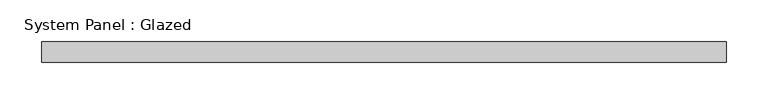
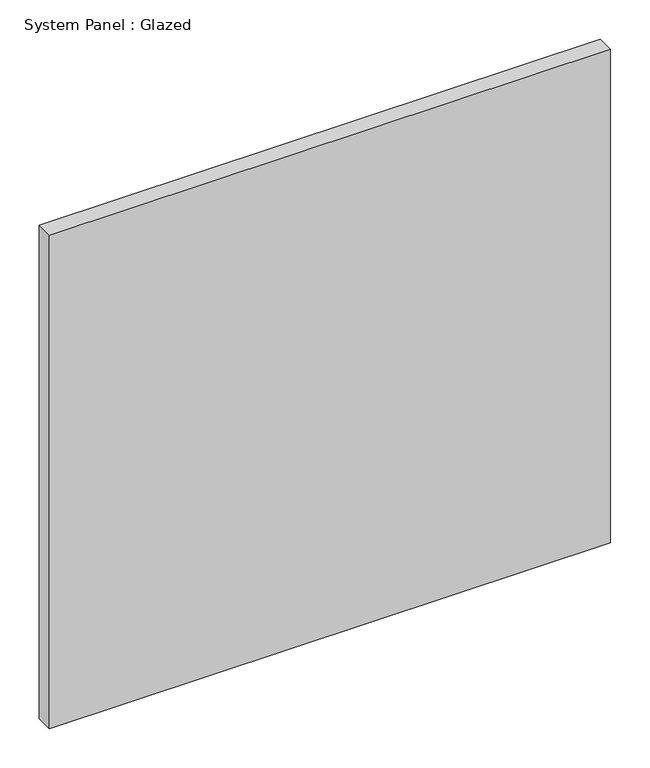
"""IFC4 building model written with IfcOpenShell, lengths in millimetres: plate geometry, System Panel : Glazed."""

import ifcopenshell
import ifcopenshell.guid

model = None  # the IFC model being written
_history = None  # IfcOwnerHistory: only IFC2X3 demands one
_inside = {}  # id of a spatial element -> (the spatial element, [elements in it])
_under = {}  # id of a project, library or spatial element -> (it, [spatial elements below it])
_declared = {}  # id of a project -> (the project, [libraries it declares])
_typed = {}  # id of a type object -> (the type object, [elements of that type])
_made_of = {}  # id of a material, layer set ... -> (it, [elements and type objects made of it])


def new_model(schema):
    """Start an empty IFC model of exactly this schema.

    Asked for "IFC4X3", IfcOpenShell would pick the latest addendum, in which some entities
    have other attributes; the version numbers below select the first issue.
    IFC2X3 requires an IfcOwnerHistory on every rooted entity: one is made here for all.
    """
    global model, _history
    if schema == "IFC4X3":
        model = ifcopenshell.file(schema_version=(4, 3, 0, 0))
    else:
        model = ifcopenshell.file(schema=schema)
    _inside.clear()
    _under.clear()
    _declared.clear()
    _typed.clear()
    _made_of.clear()
    _history = None
    if model.schema == "IFC2X3":
        org = make("IfcOrganization", Name="unknown")
        user = make(
            "IfcPersonAndOrganization",
            ThePerson=make("IfcPerson", FamilyName="unknown"),
            TheOrganization=org,
        )
        app = make(
            "IfcApplication",
            ApplicationDeveloper=org,
            Version="unknown",
            ApplicationFullName="unknown",
            ApplicationIdentifier="unknown",
        )
        _history = make(
            "IfcOwnerHistory",
            OwningUser=user,
            OwningApplication=app,
            ChangeAction="ADDED",
            CreationDate=0,
        )
    return model


def make(cls, **values):
    """One entity of the class cls with the attributes given. An attribute that is None is left unset."""
    return model.create_entity(
        cls, **{name: value for name, value in values.items() if value is not None}
    )


def rooted(cls, **values):
    """An entity with a GlobalId (a new one), such as an element, a storey or a relation."""
    return make(cls, GlobalId=ifcopenshell.guid.new(), OwnerHistory=_history, **values)


def si_unit(unit_type, name, prefix=None):
    """IfcSIUnit, for example si_unit("LENGTHUNIT", "METRE", prefix="MILLI")."""
    return make("IfcSIUnit", UnitType=unit_type, Prefix=prefix, Name=name)


def assignment(units):
    """IfcUnitAssignment: the units of a project."""
    return None if units is None else make("IfcUnitAssignment", Units=units)


def point(xyz):
    """IfcCartesianPoint."""
    return None if xyz is None else make("IfcCartesianPoint", Coordinates=xyz)


def direction(xyz):
    """IfcDirection."""
    return None if xyz is None else make("IfcDirection", DirectionRatios=xyz)


def frame(location, z_axis=None, x_axis=None):
    """IfcAxis2Placement3D, a coordinate frame: its origin and axes. An axis left out is left unset."""
    return make(
        "IfcAxis2Placement3D",
        Location=point(location),
        Axis=direction(z_axis),
        RefDirection=direction(x_axis),
    )


def origin():
    """The frame at (0, 0, 0) with its axes left unset."""
    return frame((0.0, 0.0, 0.0))


def origin_with_axes():
    """The frame at (0, 0, 0) with the z axis (0, 0, 1) and the x axis (1, 0, 0) written out."""
    return frame((0.0, 0.0, 0.0), z_axis=(0.0, 0.0, 1.0), x_axis=(1.0, 0.0, 0.0))


def place(relative_to, where):
    """IfcLocalPlacement: puts the frame where relative to a parent placement (None: the world)."""
    return make(
        "IfcLocalPlacement", PlacementRelTo=relative_to, RelativePlacement=where
    )


def context(
    kind, dimensions, precision=None, world=None, true_north=None, identifier=None
):
    """IfcGeometricRepresentationContext, for example the 3D "Model" context."""
    return make(
        "IfcGeometricRepresentationContext",
        ContextIdentifier=identifier,
        ContextType=kind,
        CoordinateSpaceDimension=dimensions,
        Precision=precision,
        WorldCoordinateSystem=world,
        TrueNorth=true_north,
    )


def project(units=None, contexts=None):
    """IfcProject with its units and contexts."""
    return rooted(
        "IfcProject",
        Name="project",
        RepresentationContexts=contexts,
        UnitsInContext=assignment(units),
    )


def spatial(cls, under=None, at=None, **own):
    """A site, building, storey or space (cls), placed at a placement, below another one or the project."""
    s = rooted(cls, ObjectPlacement=at, **own)
    if under is not None:
        _under.setdefault(under.id(), (under, []))[1].append(s)
    return s


def polyline(points):
    """IfcPolyline through the points."""
    return make("IfcPolyline", Points=[point(p) for p in points])


def outline(outer, holes=None, kind="AREA"):
    """IfcArbitraryClosedProfileDef: a profile drawn as a closed curve; with holes, ...WithVoids."""
    if holes is None:
        return make("IfcArbitraryClosedProfileDef", ProfileType=kind, OuterCurve=outer)
    return make(
        "IfcArbitraryProfileDefWithVoids",
        ProfileType=kind,
        OuterCurve=outer,
        InnerCurves=holes,
    )


def extrude(swept, where, along, depth):
    """IfcExtrudedAreaSolid: the profile swept, set in the frame where, extruded along a direction by depth."""
    return make(
        "IfcExtrudedAreaSolid",
        SweptArea=swept,
        Position=where,
        ExtrudedDirection=direction(along),
        Depth=depth,
    )


def shape(context_of_items, identifier, shape_type, items):
    """IfcShapeRepresentation: the items that make up one representation, for example the "Body"."""
    return make(
        "IfcShapeRepresentation",
        ContextOfItems=context_of_items,
        RepresentationIdentifier=identifier,
        RepresentationType=shape_type,
        Items=items,
    )


def source(mapping_origin, context_of_items, identifier, shape_type, items):
    """IfcRepresentationMap: a shape defined once, which mapped items show again and again."""
    return make(
        "IfcRepresentationMap",
        MappingOrigin=mapping_origin,
        MappedRepresentation=shape(context_of_items, identifier, shape_type, items),
    )


def transform(
    local_origin,
    x_axis=None,
    y_axis=None,
    z_axis=None,
    scale=None,
    scale2=None,
    scale3=None,
    uniform=True,
):
    """IfcCartesianTransformationOperator3D, or its non-uniform kind. x_axis, y_axis, z_axis: its Axis1, 2, 3."""
    if uniform:
        return make(
            "IfcCartesianTransformationOperator3D",
            Axis1=direction(x_axis),
            Axis2=direction(y_axis),
            LocalOrigin=point(local_origin),
            Scale=scale,
            Axis3=direction(z_axis),
        )
    return make(
        "IfcCartesianTransformationOperator3DnonUniform",
        Axis1=direction(x_axis),
        Axis2=direction(y_axis),
        LocalOrigin=point(local_origin),
        Scale=scale,
        Axis3=direction(z_axis),
        Scale2=scale2,
        Scale3=scale3,
    )


def mapped(mapping_source, mapping_target):
    """IfcMappedItem: shows the shape of a source again, moved by a transform."""
    return make(
        "IfcMappedItem", MappingSource=mapping_source, MappingTarget=mapping_target
    )


def made_of(thing, what):
    """Note that an element or type object is made of a material, layer set ...; save() writes the relation."""
    if what is not None:
        _made_of.setdefault(what.id(), (what, []))[1].append(thing)
    return thing


def element(
    cls,
    number,
    at=None,
    inside=None,
    cuts=None,
    type_object=None,
    material=None,
    context=None,
    identifier="Body",
    shape_type=None,
    held_by="IfcProductDefinitionShape",
    body=None,
    shapes=None,
    **own,
):
    """One element of the class cls, such as IfcWall. Its Tag is "e" and its number.

    at: its placement. inside: the storey or other place that contains it. cuts: it is an
    opening in that element (IfcRelVoidsElement). A single representation is given by context,
    identifier, shape_type and body (its items); several are given by shapes. held_by: the class
    of the entity that holds the representations. save() writes the other relations.
    """
    e = rooted(cls, Tag="e%d" % number, ObjectPlacement=at, **own)
    if body is not None:
        shapes = [shape(context, identifier, shape_type, body)]
    if shapes is not None:
        e.Representation = make(held_by, Representations=shapes)
    if inside is not None:
        _inside.setdefault(inside.id(), (inside, []))[1].append(e)
    if cuts is not None:
        rooted(
            "IfcRelVoidsElement", RelatingBuildingElement=cuts, RelatedOpeningElement=e
        )
    if type_object is not None:
        _typed.setdefault(type_object.id(), (type_object, []))[1].append(e)
    return made_of(e, material)


def aggregate(whole, parts):
    """IfcRelAggregates: a whole, such as a stair, and the parts it consists of."""
    return rooted("IfcRelAggregates", RelatingObject=whole, RelatedObjects=parts)


def save(model, path):
    """Write the relations noted so far, then the file.

    IfcRelAggregates (storeys below a building ...), IfcRelContainedInSpatialStructure (elements
    in a storey), IfcRelDefinesByType, IfcRelAssociatesMaterial and IfcRelDeclares: one each for
    every whole, place, type object, material and project.
    """
    for whole, parts in _under.values():
        aggregate(whole, parts)
    for where, things in _inside.values():
        rooted(
            "IfcRelContainedInSpatialStructure",
            RelatedElements=things,
            RelatingStructure=where,
        )
    for kind, things in _typed.values():
        rooted("IfcRelDefinesByType", RelatedObjects=things, RelatingType=kind)
    for what, things in _made_of.values():
        rooted("IfcRelAssociatesMaterial", RelatedObjects=things, RelatingMaterial=what)
    for by, libraries in _declared.values():
        rooted("IfcRelDeclares", RelatingContext=by, RelatedDefinitions=libraries)
    model.write(path)


def system_panel_glazed_f63b3cf3(model_context):
    return source(origin(), model_context, "Body", "SweptSolid", [
        extrude(outline(polyline([(412.5, 24.5), (-412.5, 24.5), (-412.5, 49.5), (412.5, 49.5), (412.5, 24.5)])), origin_with_axes(), (0.0, 0.0, 1.0), 766.6666667),
    ])


if __name__ == "__main__":
    model = new_model("IFC4")
    model_context = context("Model", 3, world=origin())
    ifc_project = project(units=[si_unit("LENGTHUNIT", "METRE", prefix="MILLI")], contexts=[model_context])
    site = spatial("IfcSite", under=ifc_project)
    building = spatial("IfcBuilding", under=site)
    placement = place(None, origin())
    system_panel_glazed_shape = system_panel_glazed_f63b3cf3(model_context)
    element("IfcPlate", 1, ObjectType="System Panel : Glazed", at=placement, inside=building, context=model_context, shape_type="MappedRepresentation", body=[
        mapped(system_panel_glazed_shape, transform((0.0, 0.0, 0.0), x_axis=(1.0, 0.0, 0.0), y_axis=(0.0, 1.0, 0.0), z_axis=(0.0, 0.0, 1.0))),
    ])
    save(model, "model.ifc")
